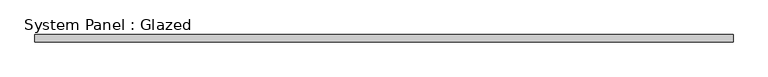
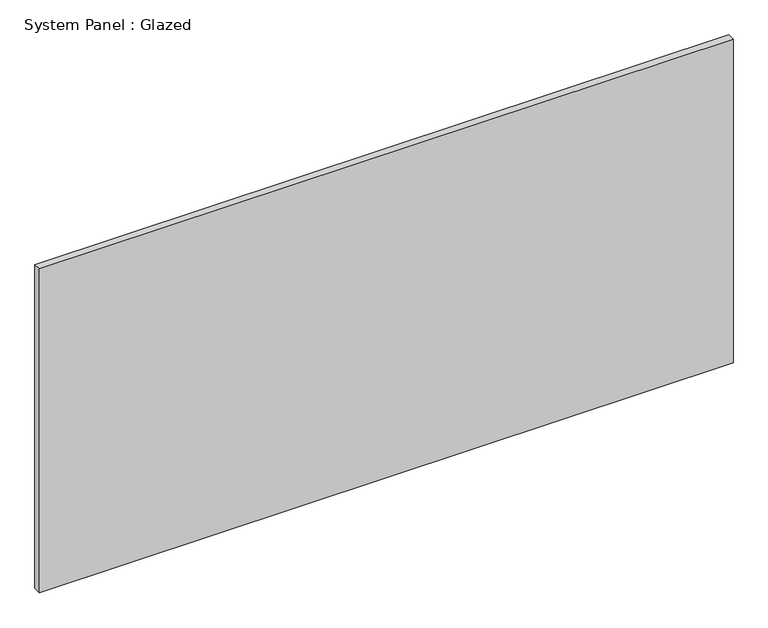
"""IFC4 building model written with IfcOpenShell, lengths in millimetres: plate geometry, System Panel : Glazed."""

from ifc_helpers import new_model, si_unit, origin, origin_with_axes, place, context, project, spatial, polyline, outline, extrude, source, transform, mapped, element, save


def system_panel_glazed_4cafb716(model_context):
    return source(origin(), model_context, "Body", "SweptSolid", [
        extrude(outline(polyline([(1171.575, 19.05), (-1171.575, 19.05), (-1171.575, 44.45), (1171.575, 44.45), (1171.575, 19.05)])), origin_with_axes(), (0.0, 0.0, 1.0), 1155.7),
    ])


if __name__ == "__main__":
    model = new_model("IFC4")
    model_context = context("Model", 3, world=origin())
    ifc_project = project(units=[si_unit("LENGTHUNIT", "METRE", prefix="MILLI")], contexts=[model_context])
    site = spatial("IfcSite", under=ifc_project)
    building = spatial("IfcBuilding", under=site)
    placement = place(None, origin())
    system_panel_glazed_shape = system_panel_glazed_4cafb716(model_context)
    element("IfcPlate", 1, ObjectType="System Panel : Glazed", at=placement, inside=building, context=model_context, shape_type="MappedRepresentation", body=[
        mapped(system_panel_glazed_shape, transform((0.0, 0.0, 0.0), x_axis=(1.0, 0.0, 0.0), y_axis=(0.0, 1.0, 0.0), z_axis=(0.0, 0.0, 1.0))),
    ])
    save(model, "model.ifc")
